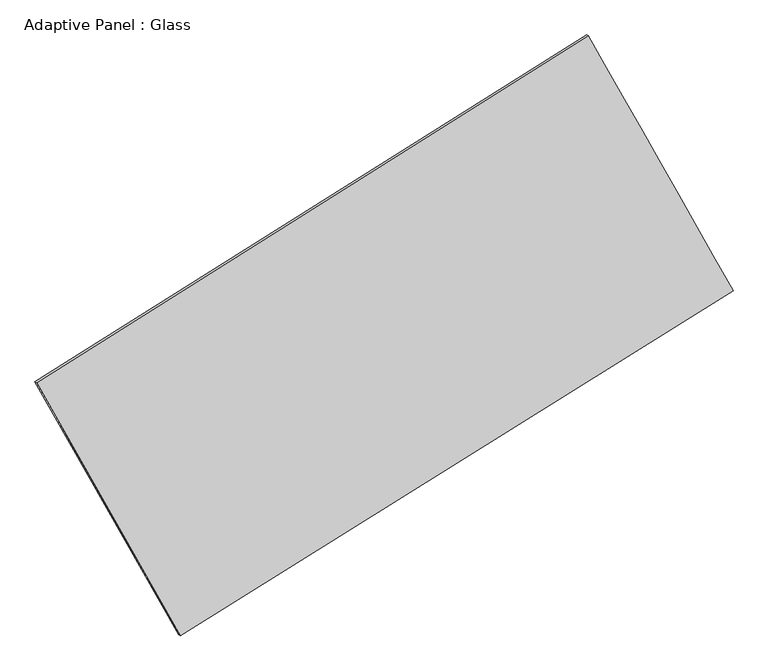
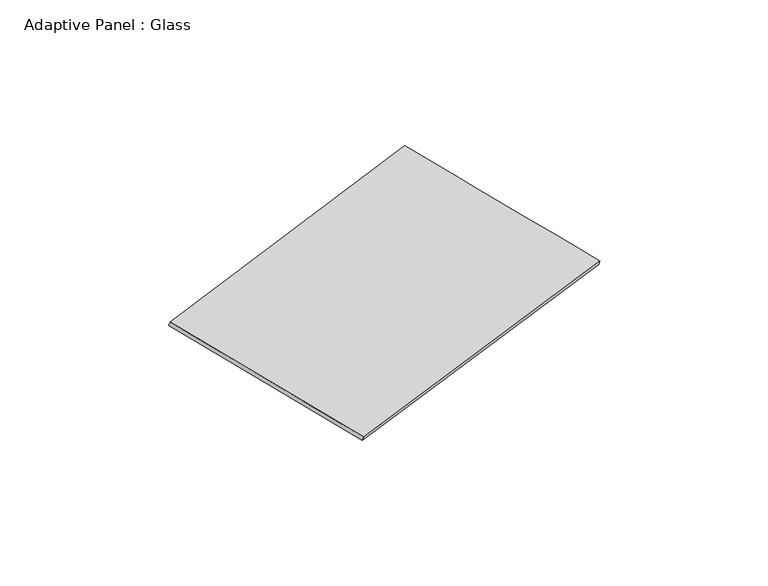
"""IFC4 building model written with IfcOpenShell, lengths in millimetres: plate geometry, Adaptive Panel : Glass."""

from ifc_helpers import new_model, si_unit, frame, origin, place, context, project, spatial, source, transform, mapped, element, save
from ifc_brep_helpers import plane_surface, spline_surface, advanced_brep


def adaptive_panel_glass_8b7672ba(model_context):
    return source(origin(), model_context, "Body", "AdvancedBrep", [
        advanced_brep(
        [(1155.0667607, 2564.2542338, 668.5053021), (-3736.1354956, -512.1719289, 1773.4968402), (-3721.4691398, -518.5520224, 1820.8697482), (1169.7331165, 2557.8741404, 715.8782101), (-2462.4917024, -2756.5179799, 1071.8709662), (-2447.8253465, -2762.8980733, 1119.2438742), (2440.2698592, 304.1871021, -28.7505883), (2454.936215, 297.8070086, 18.6223198)],
        [
            (0, 1),
            (1, 2),
            (2, 3),
            (3, 0),
            (1, 4),
            (4, 5),
            (5, 2),
            (4, 6),
            (6, 7),
            (7, 5),
            (6, 0),
            (3, 7),
        ],
        [
            plane_surface(frame((-1290.5343675, 1026.0411525, 1221.0010712), z_axis=(-0.47149482222918127, 0.842829434735745, 0.2594825168563332), x_axis=(-0.8314180360370165, -0.5229381375378639, 0.187829054357361))),
            plane_surface(frame((-3099.313599, -1634.3449544, 1422.6839032), z_axis=(-0.8286316349178476, -0.5282003978185397, 0.18540213957155888), x_axis=(0.47626459910919344, -0.839247659243649, -0.2623650092703208))),
            plane_surface(frame((-11.1109216, -1226.1654389, 521.560189), z_axis=(0.4690096664717158, -0.8443866928168665, -0.25892285675444926), x_axis=(0.8332975571351151, 0.5202125446846324, -0.18706707253118895))),
            plane_surface(frame((1797.6683099, 1434.220668, 319.8773569), z_axis=(0.8285493789898782, 0.5283451950460823, -0.18535717263490098), x_axis=(-0.477450229682939, 0.8396101537918855, 0.2590290868324931))),
            spline_surface(1, 1, [[(-3721.4691398, -518.5520224, 1820.8697482), (1169.7331165, 2557.8741404, 715.8782101)], [(-2447.8253465, -2762.8980733, 1119.2438742), (2454.936215, 297.8070086, 18.6223198)]], [2, 2], [2, 2], [0.0, 1.0], [0.0, 1.0]),
            spline_surface(1, 1, [[(2440.2698592, 304.1871021, -28.7505883), (1155.0667607, 2564.2542338, 668.5053021)], [(-2462.4917024, -2756.5179799, 1071.8709662), (-3736.1354956, -512.1719289, 1773.4968402)]], [2, 2], [2, 2], [0.0, 1.0], [0.0, 1.0]),
        ],
        [
            (0, [[1, 2, 3, 4]]),
            (1, [[5, 6, 7, -2]]),
            (2, [[8, 9, 10, -6]]),
            (3, [[11, -4, 12, -9]]),
            (4, [[-3, -7, -10, -12]]),
            (5, [[-11, -8, -5, -1]]),
        ],
    ),
    ])


if __name__ == "__main__":
    model = new_model("IFC4")
    model_context = context("Model", 3, world=origin())
    ifc_project = project(units=[si_unit("LENGTHUNIT", "METRE", prefix="MILLI")], contexts=[model_context])
    site = spatial("IfcSite", under=ifc_project)
    building = spatial("IfcBuilding", under=site)
    placement = place(None, origin())
    adaptive_panel_glass_shape = adaptive_panel_glass_8b7672ba(model_context)
    element("IfcPlate", 1, ObjectType="Adaptive Panel : Glass", at=placement, inside=building, context=model_context, shape_type="MappedRepresentation", body=[
        mapped(adaptive_panel_glass_shape, transform((0.0, 0.0, 0.0), x_axis=(1.0, 0.0, 0.0), y_axis=(0.0, 1.0, 0.0), z_axis=(0.0, 0.0, 1.0))),
    ])
    save(model, "model.ifc")
